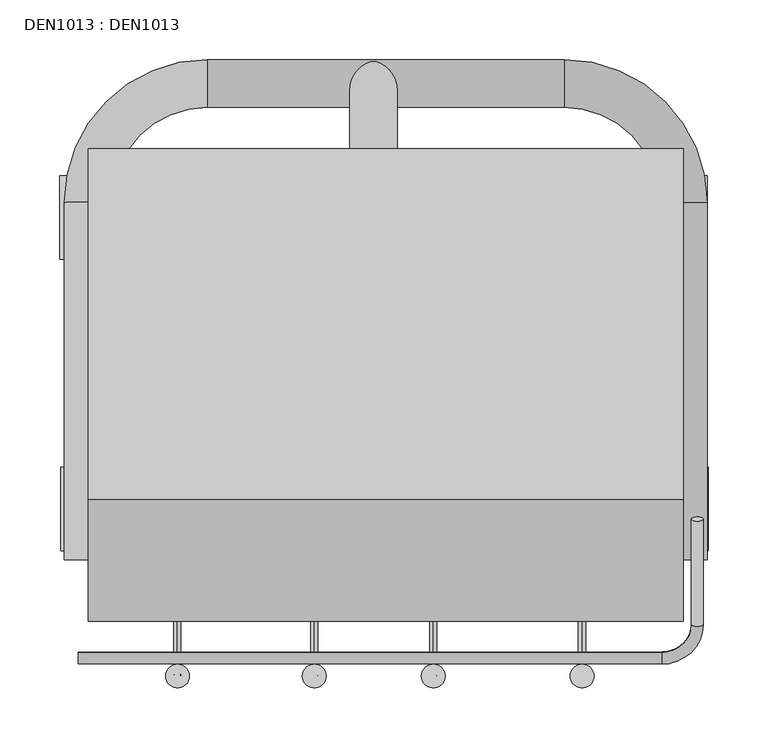
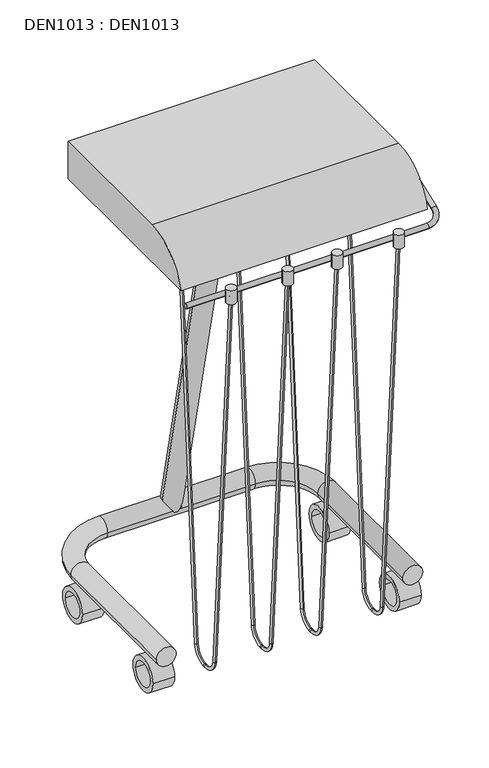
"""IFC4 building model written with IfcOpenShell, lengths in millimetres: proxy geometry, DEN1013 : DEN1013."""

from ifc_helpers import new_model, si_unit, point, frame, frame_2d, origin, place, context, project, spatial, polyline, circle_curve, ellipse_curve, trimmed, segment, composite_curve, outline, extrude, source, transform, mapped, element, save
from ifc_brep_helpers import plane_surface, cylinder_surface, revolved_surface, advanced_brep


def den1013_den1013_af064485(model_context):
    return source(origin(), model_context, "Body", "SolidModel", [
        extrude(outline(composite_curve([segment(trimmed(circle_curve(frame_2d((99.1242078, -518.509085)), 10.0), [point((89.1242078, -518.509085))], [point((109.1242078, -518.509085))], False, "CARTESIAN"), True, "CONTINUOUS"), segment(trimmed(circle_curve(frame_2d((99.1242078, -518.509085)), 10.0), [point((109.1242078, -518.509085))], [point((89.1242078, -518.509085))], False, "CARTESIAN"), True, "CONTINUOUS")], self_intersect=False)), frame((0.0, 0.0, 884.4949451), z_axis=(0.0, 0.0, 1.0), x_axis=(1.0, 0.0, 0.0)), (0.0, 0.0, 1.0), 29.6687262),
        extrude(outline(composite_curve([segment(trimmed(circle_curve(frame_2d((214.1242078, -518.509085)), 10.0), [point((204.1242078, -518.509085))], [point((224.1242078, -518.509085))], False, "CARTESIAN"), True, "CONTINUOUS"), segment(trimmed(circle_curve(frame_2d((214.1242078, -518.509085)), 10.0), [point((224.1242078, -518.509085))], [point((204.1242078, -518.509085))], False, "CARTESIAN"), True, "CONTINUOUS")], self_intersect=False)), frame((0.0, 0.0, 884.4949451), z_axis=(0.0, 0.0, 1.0), x_axis=(1.0, 0.0, 0.0)), (0.0, 0.0, 1.0), 29.6687262),
        extrude(outline(composite_curve([segment(trimmed(circle_curve(frame_2d((314.1242078, -518.509085)), 10.0), [point((304.1242078, -518.509085))], [point((324.1242078, -518.509085))], False, "CARTESIAN"), True, "CONTINUOUS"), segment(trimmed(circle_curve(frame_2d((314.1242078, -518.509085)), 10.0), [point((324.1242078, -518.509085))], [point((304.1242078, -518.509085))], False, "CARTESIAN"), True, "CONTINUOUS")], self_intersect=False)), frame((0.0, 0.0, 884.4949451), z_axis=(0.0, 0.0, 1.0), x_axis=(1.0, 0.0, 0.0)), (0.0, 0.0, 1.0), 29.6687262),
        extrude(outline(composite_curve([segment(trimmed(circle_curve(frame_2d((439.1242078, -518.509085)), 10.0), [point((429.1242078, -518.509085))], [point((449.1242078, -518.509085))], False, "CARTESIAN"), True, "CONTINUOUS"), segment(trimmed(circle_curve(frame_2d((439.1242078, -518.509085)), 10.0), [point((449.1242078, -518.509085))], [point((429.1242078, -518.509085))], False, "CARTESIAN"), True, "CONTINUOUS")], self_intersect=False)), frame((0.0, 0.0, 884.4949451), z_axis=(0.0, 0.0, 1.0), x_axis=(1.0, 0.0, 0.0)), (0.0, 0.0, 1.0), 29.6687262),
        advanced_brep(
        [(99.078139, -521.3556377, 906.950289), (99.078139, -515.3702534, 907.3688279), (99.078139, -463.3165392, 76.9525116), (99.078139, -457.3311549, 77.3710504), (99.078139, -430.3969256, 52.2544752), (99.078139, -430.3969256, 46.2544752), (99.078139, -426.3478307, 46.2544752), (99.078139, -426.3478307, 52.2544752), (99.078139, -399.4136014, 77.3710504), (99.078139, -393.4282171, 76.9525116), (99.078139, -335.3891186, 906.950289), (99.078139, -341.3745029, 907.3688279)],
        [
            (0, 1, circle_curve(frame((99.078139, -518.3629456, 907.1595585), z_axis=(0.0, -0.06975647374412358, 0.9975640502598244), x_axis=(0.0, 0.9975640502598244, 0.06975647374412358)), 3.0)),
            (1, 0, circle_curve(frame((99.078139, -518.3629456, 907.1595585), z_axis=(0.0, -0.06975647374412358, 0.9975640502598244), x_axis=(0.0, 0.9975640502598244, 0.06975647374412358)), 3.0)),
            (0, 2),
            (2, 3, circle_curve(frame((99.078139, -460.3238471, 77.161781), z_axis=(0.0, -0.06975647374412358, 0.9975640502598244), x_axis=(0.0, 0.9975640502598244, 0.06975647374412358)), 3.0)),
            (3, 1),
            (3, 2, circle_curve(frame((99.078139, -460.3238471, 77.161781), z_axis=(0.0, -0.06975647374412358, 0.9975640502598244), x_axis=(0.0, 0.9975640502598244, 0.06975647374412358)), 3.0)),
            (4, 3, circle_curve(frame((99.078139, -430.3969256, 79.2544752), z_axis=(-1.0, 0.0, 0.0), x_axis=(0.0, -0.9975640502598248, -0.0697564737441173)), 27.0)),
            (2, 5, circle_curve(frame((99.078139, -430.3969256, 79.2544752), z_axis=(1.0, 0.0, 0.0), x_axis=(0.0, -0.9975640502598248, -0.0697564737441173)), 33.0)),
            (5, 4, circle_curve(frame((99.078139, -430.3969256, 49.2544752), z_axis=(0.0, -1.0, 0.0), x_axis=(0.0, 0.0, 1.0)), 3.0)),
            (4, 5, circle_curve(frame((99.078139, -430.3969256, 49.2544752), z_axis=(0.0, -0.9999999999999999, 0.0), x_axis=(0.0, 0.0, 0.9999999999999999)), 3.0)),
            (5, 6),
            (6, 7, circle_curve(frame((99.078139, -426.3478307, 49.2544752), z_axis=(0.0, -1.0, 0.0), x_axis=(0.0, 0.0, 1.0)), 3.0)),
            (7, 4),
            (7, 6, circle_curve(frame((99.078139, -426.3478307, 49.2544752), z_axis=(0.0, -1.0, 0.0), x_axis=(0.0, 0.0, 1.0)), 3.0)),
            (8, 7, circle_curve(frame((99.078139, -426.3478307, 79.2544752), z_axis=(-1.0, 0.0, 0.0), x_axis=(0.0, 0.0, -1.0)), 27.0)),
            (6, 9, circle_curve(frame((99.078139, -426.3478307, 79.2544752), z_axis=(1.0, 0.0, 0.0), x_axis=(0.0, 0.0, -1.0)), 33.0)),
            (9, 8, circle_curve(frame((99.078139, -396.4209092, 77.161781), z_axis=(0.0, -0.06975647374413584, -0.9975640502598235), x_axis=(0.0, -0.9975640502598235, 0.06975647374413584)), 3.0)),
            (8, 9, circle_curve(frame((99.078139, -396.4209092, 77.161781), z_axis=(0.0, -0.06975647374413628, -0.9975640502598235), x_axis=(0.0, -0.9975640502598235, 0.06975647374413628)), 3.0)),
            (10, 11, circle_curve(frame((99.078139, -338.3818107, 907.1595585), z_axis=(0.0, 0.06975647374412682, 0.9975640502598242), x_axis=(0.0, -0.9975640502598242, 0.06975647374412682)), 3.0)),
            (11, 10, circle_curve(frame((99.078139, -338.3818107, 907.1595585), z_axis=(0.0, 0.06975647374412682, 0.9975640502598242), x_axis=(0.0, -0.9975640502598242, 0.06975647374412682)), 3.0)),
            (9, 10),
            (11, 8),
        ],
        [
            plane_surface(frame((99.078139, -518.3629456, 907.1595585), z_axis=(0.0, -0.06975647374412357, 0.9975640502598244), x_axis=(1.0, 0.0, 0.0))),
            cylinder_surface(frame((99.078139, -518.3629456, 907.1595585), z_axis=(0.0, -0.06975647374412358, 0.9975640502598244), x_axis=(0.0, 0.9975640502598244, 0.06975647374412358)), 3.0),
            revolved_surface(trimmed(ellipse_curve(frame((99.078139, -460.3238471, 77.161781), z_axis=(0.0, -0.06975647374411728, 0.9975640502598248), x_axis=(0.0, 0.9975640502598248, 0.06975647374411728)), 3.0, 3.0), [point((99.078139, -463.3165392, 76.9525116))], [point((99.078139, -457.3311549, 77.3710504))], True, "CARTESIAN"), (99.078139, -430.3969256, 79.2544752), (1.0, 0.0, 0.0)),
            revolved_surface(trimmed(ellipse_curve(frame((99.078139, -460.3238471, 77.161781), z_axis=(0.0, -0.06975647374411728, 0.9975640502598248), x_axis=(0.0, 0.9975640502598248, 0.06975647374411728)), 3.0, 3.0), [point((99.078139, -457.3311549, 77.3710504))], [point((99.078139, -463.3165392, 76.9525116))], True, "CARTESIAN"), (99.078139, -430.3969256, 79.2544752), (1.0, 0.0, 0.0)),
            cylinder_surface(frame((99.078139, -430.3969256, 49.2544752), z_axis=(0.0, -1.0, 0.0), x_axis=(0.0, 0.0, 1.0)), 3.0),
            revolved_surface(trimmed(ellipse_curve(frame((99.078139, -426.3478307, 49.2544752), z_axis=(0.0, -1.0, 0.0), x_axis=(0.0, 0.0, 1.0)), 3.0, 3.0), [point((99.078139, -426.3478307, 46.2544752))], [point((99.078139, -426.3478307, 52.2544752))], True, "CARTESIAN"), (99.078139, -426.3478307, 79.2544752), (1.0, 0.0, 0.0)),
            revolved_surface(trimmed(ellipse_curve(frame((99.078139, -426.3478307, 49.2544752), z_axis=(0.0, -1.0, 0.0), x_axis=(0.0, 0.0, 1.0)), 3.0, 3.0), [point((99.078139, -426.3478307, 52.2544752))], [point((99.078139, -426.3478307, 46.2544752))], True, "CARTESIAN"), (99.078139, -426.3478307, 79.2544752), (1.0, 0.0, 0.0)),
            plane_surface(frame((99.078139, -338.3818107, 907.1595585), z_axis=(0.0, 0.06975647374412677, 0.9975640502598242), x_axis=(1.0, 0.0, 0.0))),
            cylinder_surface(frame((99.078139, -396.4209092, 77.161781), z_axis=(0.0, -0.06975647374412682, -0.9975640502598242), x_axis=(0.0, -0.9975640502598242, 0.06975647374412682)), 3.0),
        ],
        [
            (0, [[1, 2]]),
            (1, [[-1, 3, 4, 5]]),
            (1, [[-2, -5, 6, -3]]),
            (2, [[7, -4, 8, 9]]),
            (3, [[-8, -6, -7, 10]]),
            (4, [[-9, 11, 12, 13]]),
            (4, [[-10, -13, 14, -11]]),
            (5, [[15, -12, 16, 17]]),
            (6, [[-16, -14, -15, 18]]),
            (7, [[19, 20]]),
            (8, [[-17, 21, -20, 22]]),
            (8, [[-18, -22, -19, -21]]),
        ],
    ),
        advanced_brep(
        [(214.078139, -521.3556377, 906.950289), (214.078139, -515.3702534, 907.3688279), (214.078139, -463.3165392, 76.9525116), (214.078139, -457.3311549, 77.3710504), (214.078139, -430.3969256, 52.2544752), (214.078139, -430.3969256, 46.2544752), (214.078139, -426.3478307, 46.2544752), (214.078139, -426.3478307, 52.2544752), (214.078139, -399.4136014, 77.3710504), (214.078139, -393.4282171, 76.9525116), (214.078139, -335.3891186, 906.950289), (214.078139, -341.3745029, 907.3688279)],
        [
            (0, 1, circle_curve(frame((214.078139, -518.3629456, 907.1595585), z_axis=(0.0, -0.06975647374412358, 0.9975640502598244), x_axis=(0.0, 0.9975640502598244, 0.06975647374412358)), 3.0)),
            (1, 0, circle_curve(frame((214.078139, -518.3629456, 907.1595585), z_axis=(0.0, -0.06975647374412358, 0.9975640502598244), x_axis=(0.0, 0.9975640502598244, 0.06975647374412358)), 3.0)),
            (0, 2),
            (2, 3, circle_curve(frame((214.078139, -460.3238471, 77.161781), z_axis=(0.0, -0.06975647374412358, 0.9975640502598244), x_axis=(0.0, 0.9975640502598244, 0.06975647374412358)), 3.0)),
            (3, 1),
            (3, 2, circle_curve(frame((214.078139, -460.3238471, 77.161781), z_axis=(0.0, -0.06975647374412358, 0.9975640502598244), x_axis=(0.0, 0.9975640502598244, 0.06975647374412358)), 3.0)),
            (4, 3, circle_curve(frame((214.078139, -430.3969256, 79.2544752), z_axis=(-1.0, 0.0, 0.0), x_axis=(0.0, -0.9975640502598248, -0.0697564737441173)), 27.0)),
            (2, 5, circle_curve(frame((214.078139, -430.3969256, 79.2544752), z_axis=(1.0, 0.0, 0.0), x_axis=(0.0, -0.9975640502598248, -0.0697564737441173)), 33.0)),
            (5, 4, circle_curve(frame((214.078139, -430.3969256, 49.2544752), z_axis=(0.0, -1.0, 0.0), x_axis=(0.0, 0.0, 1.0)), 3.0)),
            (4, 5, circle_curve(frame((214.078139, -430.3969256, 49.2544752), z_axis=(0.0, -0.9999999999999999, 0.0), x_axis=(0.0, 0.0, 0.9999999999999999)), 3.0)),
            (5, 6),
            (6, 7, circle_curve(frame((214.078139, -426.3478307, 49.2544752), z_axis=(0.0, -1.0, 0.0), x_axis=(0.0, 0.0, 1.0)), 3.0)),
            (7, 4),
            (7, 6, circle_curve(frame((214.078139, -426.3478307, 49.2544752), z_axis=(0.0, -1.0, 0.0), x_axis=(0.0, 0.0, 1.0)), 3.0)),
            (8, 7, circle_curve(frame((214.078139, -426.3478307, 79.2544752), z_axis=(-1.0, 0.0, 0.0), x_axis=(0.0, 0.0, -1.0)), 27.0)),
            (6, 9, circle_curve(frame((214.078139, -426.3478307, 79.2544752), z_axis=(1.0, 0.0, 0.0), x_axis=(0.0, 0.0, -1.0)), 33.0)),
            (9, 8, circle_curve(frame((214.078139, -396.4209092, 77.161781), z_axis=(0.0, -0.06975647374413584, -0.9975640502598235), x_axis=(0.0, -0.9975640502598235, 0.06975647374413584)), 3.0)),
            (8, 9, circle_curve(frame((214.078139, -396.4209092, 77.161781), z_axis=(0.0, -0.0697564737441365, -0.9975640502598234), x_axis=(0.0, -0.9975640502598234, 0.0697564737441365)), 3.0)),
            (10, 11, circle_curve(frame((214.078139, -338.3818107, 907.1595585), z_axis=(0.0, 0.06975647374412682, 0.9975640502598242), x_axis=(0.0, -0.9975640502598242, 0.06975647374412682)), 3.0)),
            (11, 10, circle_curve(frame((214.078139, -338.3818107, 907.1595585), z_axis=(0.0, 0.06975647374412682, 0.9975640502598242), x_axis=(0.0, -0.9975640502598242, 0.06975647374412682)), 3.0)),
            (9, 10),
            (11, 8),
        ],
        [
            plane_surface(frame((214.078139, -518.3629456, 907.1595585), z_axis=(0.0, -0.06975647374412357, 0.9975640502598244), x_axis=(1.0, 0.0, 0.0))),
            cylinder_surface(frame((214.078139, -518.3629456, 907.1595585), z_axis=(0.0, -0.06975647374412358, 0.9975640502598244), x_axis=(0.0, 0.9975640502598244, 0.06975647374412358)), 3.0),
            revolved_surface(trimmed(ellipse_curve(frame((214.078139, -460.3238471, 77.161781), z_axis=(0.0, -0.06975647374411728, 0.9975640502598248), x_axis=(0.0, 0.9975640502598248, 0.06975647374411728)), 3.0, 3.0), [point((214.078139, -463.3165392, 76.9525116))], [point((214.078139, -457.3311549, 77.3710504))], True, "CARTESIAN"), (214.078139, -430.3969256, 79.2544752), (1.0, 0.0, 0.0)),
            revolved_surface(trimmed(ellipse_curve(frame((214.078139, -460.3238471, 77.161781), z_axis=(0.0, -0.06975647374411728, 0.9975640502598248), x_axis=(0.0, 0.9975640502598248, 0.06975647374411728)), 3.0, 3.0), [point((214.078139, -457.3311549, 77.3710504))], [point((214.078139, -463.3165392, 76.9525116))], True, "CARTESIAN"), (214.078139, -430.3969256, 79.2544752), (1.0, 0.0, 0.0)),
            cylinder_surface(frame((214.078139, -430.3969256, 49.2544752), z_axis=(0.0, -1.0, 0.0), x_axis=(0.0, 0.0, 1.0)), 3.0),
            revolved_surface(trimmed(ellipse_curve(frame((214.078139, -426.3478307, 49.2544752), z_axis=(0.0, -1.0, 0.0), x_axis=(0.0, 0.0, 1.0)), 3.0, 3.0), [point((214.078139, -426.3478307, 46.2544752))], [point((214.078139, -426.3478307, 52.2544752))], True, "CARTESIAN"), (214.078139, -426.3478307, 79.2544752), (1.0, 0.0, 0.0)),
            revolved_surface(trimmed(ellipse_curve(frame((214.078139, -426.3478307, 49.2544752), z_axis=(0.0, -1.0, 0.0), x_axis=(0.0, 0.0, 1.0)), 3.0, 3.0), [point((214.078139, -426.3478307, 52.2544752))], [point((214.078139, -426.3478307, 46.2544752))], True, "CARTESIAN"), (214.078139, -426.3478307, 79.2544752), (1.0, 0.0, 0.0)),
            plane_surface(frame((214.078139, -338.3818107, 907.1595585), z_axis=(0.0, 0.06975647374412677, 0.9975640502598242), x_axis=(1.0, 0.0, 0.0))),
            cylinder_surface(frame((214.078139, -396.4209092, 77.161781), z_axis=(0.0, -0.06975647374412682, -0.9975640502598242), x_axis=(0.0, -0.9975640502598242, 0.06975647374412682)), 3.0),
        ],
        [
            (0, [[1, 2]]),
            (1, [[-1, 3, 4, 5]]),
            (1, [[-2, -5, 6, -3]]),
            (2, [[7, -4, 8, 9]]),
            (3, [[-8, -6, -7, 10]]),
            (4, [[-9, 11, 12, 13]]),
            (4, [[-10, -13, 14, -11]]),
            (5, [[15, -12, 16, 17]]),
            (6, [[-16, -14, -15, 18]]),
            (7, [[19, 20]]),
            (8, [[-17, 21, -20, 22]]),
            (8, [[-18, -22, -19, -21]]),
        ],
    ),
        advanced_brep(
        [(314.078139, -521.3556377, 906.950289), (314.078139, -515.3702534, 907.3688279), (314.078139, -463.3165392, 76.9525116), (314.078139, -457.3311549, 77.3710504), (314.078139, -430.3969256, 52.2544752), (314.078139, -430.3969256, 46.2544752), (314.078139, -426.3478307, 46.2544752), (314.078139, -426.3478307, 52.2544752), (314.078139, -399.4136014, 77.3710504), (314.078139, -393.4282171, 76.9525116), (314.078139, -335.3891186, 906.950289), (314.078139, -341.3745029, 907.3688279)],
        [
            (0, 1, circle_curve(frame((314.078139, -518.3629456, 907.1595585), z_axis=(0.0, -0.06975647374412358, 0.9975640502598244), x_axis=(0.0, 0.9975640502598244, 0.06975647374412358)), 3.0)),
            (1, 0, circle_curve(frame((314.078139, -518.3629456, 907.1595585), z_axis=(0.0, -0.06975647374412358, 0.9975640502598244), x_axis=(0.0, 0.9975640502598244, 0.06975647374412358)), 3.0)),
            (0, 2),
            (2, 3, circle_curve(frame((314.078139, -460.3238471, 77.161781), z_axis=(0.0, -0.06975647374412358, 0.9975640502598244), x_axis=(0.0, 0.9975640502598244, 0.06975647374412358)), 3.0)),
            (3, 1),
            (3, 2, circle_curve(frame((314.078139, -460.3238471, 77.161781), z_axis=(0.0, -0.06975647374412358, 0.9975640502598244), x_axis=(0.0, 0.9975640502598244, 0.06975647374412358)), 3.0)),
            (4, 3, circle_curve(frame((314.078139, -430.3969256, 79.2544752), z_axis=(-1.0, 0.0, 0.0), x_axis=(0.0, -0.9975640502598248, -0.0697564737441173)), 27.0)),
            (2, 5, circle_curve(frame((314.078139, -430.3969256, 79.2544752), z_axis=(1.0, 0.0, 0.0), x_axis=(0.0, -0.9975640502598248, -0.0697564737441173)), 33.0)),
            (5, 4, circle_curve(frame((314.078139, -430.3969256, 49.2544752), z_axis=(0.0, -1.0, 0.0), x_axis=(0.0, 0.0, 1.0)), 3.0)),
            (4, 5, circle_curve(frame((314.078139, -430.3969256, 49.2544752), z_axis=(0.0, -0.9999999999999999, 0.0), x_axis=(0.0, 0.0, 0.9999999999999999)), 3.0)),
            (5, 6),
            (6, 7, circle_curve(frame((314.078139, -426.3478307, 49.2544752), z_axis=(0.0, -1.0, 0.0), x_axis=(0.0, 0.0, 1.0)), 3.0)),
            (7, 4),
            (7, 6, circle_curve(frame((314.078139, -426.3478307, 49.2544752), z_axis=(0.0, -1.0, 0.0), x_axis=(0.0, 0.0, 1.0)), 3.0)),
            (8, 7, circle_curve(frame((314.078139, -426.3478307, 79.2544752), z_axis=(-1.0, 0.0, 0.0), x_axis=(0.0, 0.0, -1.0)), 27.0)),
            (6, 9, circle_curve(frame((314.078139, -426.3478307, 79.2544752), z_axis=(1.0, 0.0, 0.0), x_axis=(0.0, 0.0, -1.0)), 33.0)),
            (9, 8, circle_curve(frame((314.078139, -396.4209092, 77.161781), z_axis=(0.0, -0.06975647374413584, -0.9975640502598235), x_axis=(0.0, -0.9975640502598235, 0.06975647374413584)), 3.0)),
            (8, 9, circle_curve(frame((314.078139, -396.4209092, 77.161781), z_axis=(0.0, -0.06975647374413606, -0.9975640502598235), x_axis=(0.0, -0.9975640502598235, 0.06975647374413606)), 3.0)),
            (10, 11, circle_curve(frame((314.078139, -338.3818107, 907.1595585), z_axis=(0.0, 0.06975647374412682, 0.9975640502598242), x_axis=(0.0, -0.9975640502598242, 0.06975647374412682)), 3.0)),
            (11, 10, circle_curve(frame((314.078139, -338.3818107, 907.1595585), z_axis=(0.0, 0.06975647374412682, 0.9975640502598242), x_axis=(0.0, -0.9975640502598242, 0.06975647374412682)), 3.0)),
            (9, 10),
            (11, 8),
        ],
        [
            plane_surface(frame((314.078139, -518.3629456, 907.1595585), z_axis=(0.0, -0.06975647374412357, 0.9975640502598244), x_axis=(1.0, 0.0, 0.0))),
            cylinder_surface(frame((314.078139, -518.3629456, 907.1595585), z_axis=(0.0, -0.06975647374412358, 0.9975640502598244), x_axis=(0.0, 0.9975640502598244, 0.06975647374412358)), 3.0),
            revolved_surface(trimmed(ellipse_curve(frame((314.078139, -460.3238471, 77.161781), z_axis=(0.0, -0.06975647374411728, 0.9975640502598248), x_axis=(0.0, 0.9975640502598248, 0.06975647374411728)), 3.0, 3.0), [point((314.078139, -463.3165392, 76.9525116))], [point((314.078139, -457.3311549, 77.3710504))], True, "CARTESIAN"), (314.078139, -430.3969256, 79.2544752), (1.0, 0.0, 0.0)),
            revolved_surface(trimmed(ellipse_curve(frame((314.078139, -460.3238471, 77.161781), z_axis=(0.0, -0.06975647374411728, 0.9975640502598248), x_axis=(0.0, 0.9975640502598248, 0.06975647374411728)), 3.0, 3.0), [point((314.078139, -457.3311549, 77.3710504))], [point((314.078139, -463.3165392, 76.9525116))], True, "CARTESIAN"), (314.078139, -430.3969256, 79.2544752), (1.0, 0.0, 0.0)),
            cylinder_surface(frame((314.078139, -430.3969256, 49.2544752), z_axis=(0.0, -1.0, 0.0), x_axis=(0.0, 0.0, 1.0)), 3.0),
            revolved_surface(trimmed(ellipse_curve(frame((314.078139, -426.3478307, 49.2544752), z_axis=(0.0, -1.0, 0.0), x_axis=(0.0, 0.0, 1.0)), 3.0, 3.0), [point((314.078139, -426.3478307, 46.2544752))], [point((314.078139, -426.3478307, 52.2544752))], True, "CARTESIAN"), (314.078139, -426.3478307, 79.2544752), (1.0, 0.0, 0.0)),
            revolved_surface(trimmed(ellipse_curve(frame((314.078139, -426.3478307, 49.2544752), z_axis=(0.0, -1.0, 0.0), x_axis=(0.0, 0.0, 1.0)), 3.0, 3.0), [point((314.078139, -426.3478307, 52.2544752))], [point((314.078139, -426.3478307, 46.2544752))], True, "CARTESIAN"), (314.078139, -426.3478307, 79.2544752), (1.0, 0.0, 0.0)),
            plane_surface(frame((314.078139, -338.3818107, 907.1595585), z_axis=(0.0, 0.06975647374412677, 0.9975640502598242), x_axis=(1.0, 0.0, 0.0))),
            cylinder_surface(frame((314.078139, -396.4209092, 77.161781), z_axis=(0.0, -0.06975647374412682, -0.9975640502598242), x_axis=(0.0, -0.9975640502598242, 0.06975647374412682)), 3.0),
        ],
        [
            (0, [[1, 2]]),
            (1, [[-1, 3, 4, 5]]),
            (1, [[-2, -5, 6, -3]]),
            (2, [[7, -4, 8, 9]]),
            (3, [[-8, -6, -7, 10]]),
            (4, [[-9, 11, 12, 13]]),
            (4, [[-10, -13, 14, -11]]),
            (5, [[15, -12, 16, 17]]),
            (6, [[-16, -14, -15, 18]]),
            (7, [[19, 20]]),
            (8, [[-17, 21, -20, 22]]),
            (8, [[-18, -22, -19, -21]]),
        ],
    ),
        advanced_brep(
        [(439.078139, -521.3556377, 906.950289), (439.078139, -515.3702534, 907.3688279), (439.078139, -463.3165392, 76.9525116), (439.078139, -457.3311549, 77.3710504), (439.078139, -430.3969256, 52.2544752), (439.078139, -430.3969256, 46.2544752), (439.078139, -426.3478307, 46.2544752), (439.078139, -426.3478307, 52.2544752), (439.078139, -399.4136014, 77.3710504), (439.078139, -393.4282171, 76.9525116), (439.078139, -335.3891186, 906.950289), (439.078139, -341.3745029, 907.3688279)],
        [
            (0, 1, circle_curve(frame((439.078139, -518.3629456, 907.1595585), z_axis=(0.0, -0.06975647374412358, 0.9975640502598244), x_axis=(0.0, 0.9975640502598244, 0.06975647374412358)), 3.0)),
            (1, 0, circle_curve(frame((439.078139, -518.3629456, 907.1595585), z_axis=(0.0, -0.06975647374412358, 0.9975640502598244), x_axis=(0.0, 0.9975640502598244, 0.06975647374412358)), 3.0)),
            (0, 2),
            (2, 3, circle_curve(frame((439.078139, -460.3238471, 77.161781), z_axis=(0.0, -0.06975647374412358, 0.9975640502598244), x_axis=(0.0, 0.9975640502598244, 0.06975647374412358)), 3.0)),
            (3, 1),
            (3, 2, circle_curve(frame((439.078139, -460.3238471, 77.161781), z_axis=(0.0, -0.06975647374412358, 0.9975640502598244), x_axis=(0.0, 0.9975640502598244, 0.06975647374412358)), 3.0)),
            (4, 3, circle_curve(frame((439.078139, -430.3969256, 79.2544752), z_axis=(-1.0, 0.0, 0.0), x_axis=(0.0, -0.9975640502598248, -0.0697564737441173)), 27.0)),
            (2, 5, circle_curve(frame((439.078139, -430.3969256, 79.2544752), z_axis=(1.0, 0.0, 0.0), x_axis=(0.0, -0.9975640502598248, -0.0697564737441173)), 33.0)),
            (5, 4, circle_curve(frame((439.078139, -430.3969256, 49.2544752), z_axis=(0.0, -1.0, 0.0), x_axis=(0.0, 0.0, 1.0)), 3.0)),
            (4, 5, circle_curve(frame((439.078139, -430.3969256, 49.2544752), z_axis=(0.0, -0.9999999999999999, 0.0), x_axis=(0.0, 0.0, 0.9999999999999999)), 3.0)),
            (5, 6),
            (6, 7, circle_curve(frame((439.078139, -426.3478307, 49.2544752), z_axis=(0.0, -1.0, 0.0), x_axis=(0.0, 0.0, 1.0)), 3.0)),
            (7, 4),
            (7, 6, circle_curve(frame((439.078139, -426.3478307, 49.2544752), z_axis=(0.0, -1.0, 0.0), x_axis=(0.0, 0.0, 1.0)), 3.0)),
            (8, 7, circle_curve(frame((439.078139, -426.3478307, 79.2544752), z_axis=(-1.0, 0.0, 0.0), x_axis=(0.0, 0.0, -1.0)), 27.0)),
            (6, 9, circle_curve(frame((439.078139, -426.3478307, 79.2544752), z_axis=(1.0, 0.0, 0.0), x_axis=(0.0, 0.0, -1.0)), 33.0)),
            (9, 8, circle_curve(frame((439.078139, -396.4209092, 77.161781), z_axis=(0.0, -0.06975647374413584, -0.9975640502598235), x_axis=(0.0, -0.9975640502598235, 0.06975647374413584)), 3.0)),
            (8, 9, circle_curve(frame((439.078139, -396.4209092, 77.161781), z_axis=(0.0, -0.06975647374413606, -0.9975640502598235), x_axis=(0.0, -0.9975640502598235, 0.06975647374413606)), 3.0)),
            (10, 11, circle_curve(frame((439.078139, -338.3818107, 907.1595585), z_axis=(0.0, 0.06975647374412682, 0.9975640502598242), x_axis=(0.0, -0.9975640502598242, 0.06975647374412682)), 3.0)),
            (11, 10, circle_curve(frame((439.078139, -338.3818107, 907.1595585), z_axis=(0.0, 0.06975647374412682, 0.9975640502598242), x_axis=(0.0, -0.9975640502598242, 0.06975647374412682)), 3.0)),
            (9, 10),
            (11, 8),
        ],
        [
            plane_surface(frame((439.078139, -518.3629456, 907.1595585), z_axis=(0.0, -0.06975647374412357, 0.9975640502598244), x_axis=(1.0, 0.0, 0.0))),
            cylinder_surface(frame((439.078139, -518.3629456, 907.1595585), z_axis=(0.0, -0.06975647374412358, 0.9975640502598244), x_axis=(0.0, 0.9975640502598244, 0.06975647374412358)), 3.0),
            revolved_surface(trimmed(ellipse_curve(frame((439.078139, -460.3238471, 77.161781), z_axis=(0.0, -0.06975647374411728, 0.9975640502598248), x_axis=(0.0, 0.9975640502598248, 0.06975647374411728)), 3.0, 3.0), [point((439.078139, -463.3165392, 76.9525116))], [point((439.078139, -457.3311549, 77.3710504))], True, "CARTESIAN"), (439.078139, -430.3969256, 79.2544752), (1.0, 0.0, 0.0)),
            revolved_surface(trimmed(ellipse_curve(frame((439.078139, -460.3238471, 77.161781), z_axis=(0.0, -0.06975647374411728, 0.9975640502598248), x_axis=(0.0, 0.9975640502598248, 0.06975647374411728)), 3.0, 3.0), [point((439.078139, -457.3311549, 77.3710504))], [point((439.078139, -463.3165392, 76.9525116))], True, "CARTESIAN"), (439.078139, -430.3969256, 79.2544752), (1.0, 0.0, 0.0)),
            cylinder_surface(frame((439.078139, -430.3969256, 49.2544752), z_axis=(0.0, -1.0, 0.0), x_axis=(0.0, 0.0, 1.0)), 3.0),
            revolved_surface(trimmed(ellipse_curve(frame((439.078139, -426.3478307, 49.2544752), z_axis=(0.0, -1.0, 0.0), x_axis=(0.0, 0.0, 1.0)), 3.0, 3.0), [point((439.078139, -426.3478307, 46.2544752))], [point((439.078139, -426.3478307, 52.2544752))], True, "CARTESIAN"), (439.078139, -426.3478307, 79.2544752), (1.0, 0.0, 0.0)),
            revolved_surface(trimmed(ellipse_curve(frame((439.078139, -426.3478307, 49.2544752), z_axis=(0.0, -1.0, 0.0), x_axis=(0.0, 0.0, 1.0)), 3.0, 3.0), [point((439.078139, -426.3478307, 52.2544752))], [point((439.078139, -426.3478307, 46.2544752))], True, "CARTESIAN"), (439.078139, -426.3478307, 79.2544752), (1.0, 0.0, 0.0)),
            plane_surface(frame((439.078139, -338.3818107, 907.1595585), z_axis=(0.0, 0.06975647374412677, 0.9975640502598242), x_axis=(1.0, 0.0, 0.0))),
            cylinder_surface(frame((439.078139, -396.4209092, 77.161781), z_axis=(0.0, -0.06975647374412682, -0.9975640502598242), x_axis=(0.0, -0.9975640502598242, 0.06975647374412682)), 3.0),
        ],
        [
            (0, [[1, 2]]),
            (1, [[-1, 3, 4, 5]]),
            (1, [[-2, -5, 6, -3]]),
            (2, [[7, -4, 8, 9]]),
            (3, [[-8, -6, -7, 10]]),
            (4, [[-9, 11, 12, 13]]),
            (4, [[-10, -13, 14, -11]]),
            (5, [[15, -12, 16, 17]]),
            (6, [[-16, -14, -15, 18]]),
            (7, [[19, 20]]),
            (8, [[-17, 21, -20, 22]]),
            (8, [[-18, -22, -19, -21]]),
        ],
    ),
        extrude(outline(composite_curve([segment(trimmed(circle_curve(frame_2d((-133.0580223, 35.0)), 35.0), [point((-168.0580223, 35.0))], [point((-98.0580223, 35.0))], False, "CARTESIAN"), True, "CONTINUOUS"), segment(trimmed(circle_curve(frame_2d((-133.0580223, 35.0)), 35.0), [point((-98.0580223, 35.0))], [point((-168.0580223, 35.0))], False, "CARTESIAN"), True, "CONTINUOUS")], self_intersect=False), holes=[composite_curve([segment(trimmed(circle_curve(frame_2d((-133.0580223, 35.0)), 25.0), [point((-158.0580223, 35.0))], [point((-108.0580223, 35.0))], True, "CARTESIAN"), True, "CONTINUOUS"), segment(trimmed(circle_curve(frame_2d((-133.0580223, 35.0)), 25.0), [point((-108.0580223, 35.0))], [point((-158.0580223, 35.0))], True, "CARTESIAN"), True, "CONTINUOUS")], self_intersect=False)]), frame((0.0, 0.0, 0.0), z_axis=(1.0, 0.0, 0.0), x_axis=(0.0, 1.0, 0.0)), (0.0, 0.0, 1.0), 44.078139),
        extrude(outline(composite_curve([segment(trimmed(circle_curve(frame_2d((-378.0580223, 35.0)), 35.0), [point((-413.0580223, 35.0))], [point((-343.0580223, 35.0))], False, "CARTESIAN"), True, "CONTINUOUS"), segment(trimmed(circle_curve(frame_2d((-378.0580223, 35.0)), 35.0), [point((-343.0580223, 35.0))], [point((-413.0580223, 35.0))], False, "CARTESIAN"), True, "CONTINUOUS")], self_intersect=False), holes=[composite_curve([segment(trimmed(circle_curve(frame_2d((-378.0580223, 35.0)), 25.0), [point((-403.0580223, 35.0))], [point((-353.0580223, 35.0))], True, "CARTESIAN"), True, "CONTINUOUS"), segment(trimmed(circle_curve(frame_2d((-378.0580223, 35.0)), 25.0), [point((-353.0580223, 35.0))], [point((-403.0580223, 35.0))], True, "CARTESIAN"), True, "CONTINUOUS")], self_intersect=False)]), frame((1.25, 0.0, 0.0), z_axis=(1.0, 0.0, 0.0), x_axis=(0.0, 1.0, 0.0)), (0.0, 0.0, 1.0), 44.078139),
        extrude(outline(composite_curve([segment(trimmed(circle_curve(frame_2d((-133.0580223, 35.0)), 35.0), [point((-168.0580223, 35.0))], [point((-98.0580223, 35.0))], False, "CARTESIAN"), True, "CONTINUOUS"), segment(trimmed(circle_curve(frame_2d((-133.0580223, 35.0)), 35.0), [point((-98.0580223, 35.0))], [point((-168.0580223, 35.0))], False, "CARTESIAN"), True, "CONTINUOUS")], self_intersect=False), holes=[composite_curve([segment(trimmed(circle_curve(frame_2d((-133.0580223, 35.0)), 25.0), [point((-158.0580223, 35.0))], [point((-108.0580223, 35.0))], True, "CARTESIAN"), True, "CONTINUOUS"), segment(trimmed(circle_curve(frame_2d((-133.0580223, 35.0)), 25.0), [point((-108.0580223, 35.0))], [point((-158.0580223, 35.0))], True, "CARTESIAN"), True, "CONTINUOUS")], self_intersect=False)]), frame((500.0, 0.0, 0.0), z_axis=(1.0, 0.0, 0.0), x_axis=(0.0, 1.0, 0.0)), (0.0, 0.0, 1.0), 44.078139),
        extrude(outline(composite_curve([segment(trimmed(circle_curve(frame_2d((-378.0580223, 35.0)), 35.0), [point((-413.0580223, 35.0))], [point((-343.0580223, 35.0))], False, "CARTESIAN"), True, "CONTINUOUS"), segment(trimmed(circle_curve(frame_2d((-378.0580223, 35.0)), 35.0), [point((-343.0580223, 35.0))], [point((-413.0580223, 35.0))], False, "CARTESIAN"), True, "CONTINUOUS")], self_intersect=False), holes=[composite_curve([segment(trimmed(circle_curve(frame_2d((-378.0580223, 35.0)), 25.0), [point((-403.0580223, 35.0))], [point((-353.0580223, 35.0))], True, "CARTESIAN"), True, "CONTINUOUS"), segment(trimmed(circle_curve(frame_2d((-378.0580223, 35.0)), 25.0), [point((-353.0580223, 35.0))], [point((-403.0580223, 35.0))], True, "CARTESIAN"), True, "CONTINUOUS")], self_intersect=False)]), frame((501.25, 0.0, 0.0), z_axis=(1.0, 0.0, 0.0), x_axis=(0.0, 1.0, 0.0)), (0.0, 0.0, 1.0), 44.078139),
        advanced_brep(
        [(15.9600424, -507.9411395, 892.2657298), (15.9600424, -498.6053352, 895.8494093), (505.9600424, -507.9411395, 892.2657298), (505.9600424, -498.6053352, 895.8494093), (530.9600424, -475.2658246, 904.808608), (540.9600424, -475.2658246, 904.808608), (540.9600424, -386.575684, 938.8535632), (530.9600424, -386.575684, 938.8535632)],
        [
            (0, 1, circle_curve(frame((15.9600424, -503.2732374, 894.0575695), z_axis=(-1.0, 0.0, 0.0), x_axis=(0.0, 0.9335804264971973, 0.35836794954531215)), 5.0)),
            (1, 0, circle_curve(frame((15.9600424, -503.2732374, 894.0575695), z_axis=(-1.0, 0.0, 0.0), x_axis=(0.0, 0.9335804264971973, 0.35836794954531215)), 5.0)),
            (0, 2),
            (2, 3, circle_curve(frame((505.9600424, -503.2732374, 894.0575695), z_axis=(-1.0, 0.0, 0.0), x_axis=(0.0, 0.9335804264971973, 0.35836794954531215)), 5.0)),
            (3, 1),
            (3, 2, circle_curve(frame((505.9600424, -503.2732374, 894.0575695), z_axis=(-1.0, 0.0, 0.0), x_axis=(0.0, 0.9335804264971973, 0.35836794954531215)), 5.0)),
            (4, 3, circle_curve(frame((505.9600424, -475.2658246, 904.808608), z_axis=(0.0, 0.35836794954531215, -0.9335804264971972), x_axis=(0.0, -0.9335804264971972, -0.35836794954531215)), 25.0)),
            (2, 5, circle_curve(frame((505.9600424, -475.2658246, 904.808608), z_axis=(0.0, -0.35836794954531215, 0.9335804264971972), x_axis=(0.0, -0.9335804264971972, -0.35836794954531215)), 35.0)),
            (5, 4, circle_curve(frame((535.9600424, -475.2658246, 904.808608), z_axis=(0.0, -0.9335804264971972, -0.35836794954531215), x_axis=(-1.0, 0.0, 0.0)), 5.0)),
            (4, 5, circle_curve(frame((535.9600424, -475.2658246, 904.808608), z_axis=(0.0, -0.9335804264971972, -0.35836794954531215), x_axis=(-1.0, 0.0, 0.0)), 5.0)),
            (6, 7, circle_curve(frame((535.9600424, -386.575684, 938.8535632), z_axis=(0.0, 0.9335804264971972, 0.35836794954531215), x_axis=(-1.0, 0.0, 0.0)), 5.0)),
            (7, 6, circle_curve(frame((535.9600424, -386.575684, 938.8535632), z_axis=(0.0, 0.9335804264971972, 0.35836794954531215), x_axis=(-1.0, 0.0, 0.0)), 5.0)),
            (5, 6),
            (7, 4),
        ],
        [
            plane_surface(frame((15.9600424, -503.2732374, 894.0575695), z_axis=(-1.0, 0.0, 0.0), x_axis=(0.0, 0.0, 1.0))),
            cylinder_surface(frame((15.9600424, -503.2732374, 894.0575695), z_axis=(-1.0000000000000002, 0.0, 0.0), x_axis=(0.0, 0.9335804264971973, 0.35836794954531215)), 5.0),
            revolved_surface(trimmed(ellipse_curve(frame((505.9600424, -503.2732374, 894.0575695), z_axis=(-1.0, 0.0, 0.0), x_axis=(0.0, 0.9335804264971972, 0.3583679495453121)), 5.0, 5.0), [point((505.9600424, -507.9411395, 892.2657298))], [point((505.9600424, -498.6053352, 895.8494093))], True, "CARTESIAN"), (505.9600424, -475.2658246, 904.808608), (0.0, -0.35836794954531215, 0.9335804264971972)),
            revolved_surface(trimmed(ellipse_curve(frame((505.9600424, -503.2732374, 894.0575695), z_axis=(-1.0, 0.0, 0.0), x_axis=(0.0, 0.9335804264971972, 0.3583679495453121)), 5.0, 5.0), [point((505.9600424, -498.6053352, 895.8494093))], [point((505.9600424, -507.9411395, 892.2657298))], True, "CARTESIAN"), (505.9600424, -475.2658246, 904.808608), (0.0, -0.35836794954531215, 0.9335804264971972)),
            plane_surface(frame((535.9600424, -386.575684, 938.8535632), z_axis=(0.0, 0.9335804264971973, 0.35836794954531215), x_axis=(-0.35836794954531215, -0.33456530317943745, 0.8715724127386891))),
            cylinder_surface(frame((535.9600424, -475.2658246, 904.808608), z_axis=(0.0, -0.9335804264971972, -0.35836794954531215), x_axis=(-1.0, 0.0, 0.0)), 5.0),
        ],
        [
            (0, [[1, 2]]),
            (1, [[-1, 3, 4, 5]]),
            (1, [[-2, -5, 6, -3]]),
            (2, [[7, -4, 8, 9]]),
            (3, [[-8, -6, -7, 10]]),
            (4, [[11, 12]]),
            (5, [[-9, 13, -12, 14]]),
            (5, [[-10, -14, -11, -13]]),
        ],
    ),
        extrude(outline(composite_curve([segment(trimmed(circle_curve(frame_2d((0.0, -20.0)), 20.0), [point((0.0, -40.0))], [point((0.0, 0.0))], False, "CARTESIAN"), True, "CONTINUOUS"), segment(trimmed(circle_curve(frame_2d((0.0, -20.0)), 20.0), [point((0.0, 0.0))], [point((0.0, -40.0))], False, "CARTESIAN"), True, "CONTINUOUS")], self_intersect=False)), frame((283.8278747, -20.6972315, 89.8551298), z_axis=(0.0, -0.2182808430807969, 0.9758859941324789), x_axis=(0.0, -0.9758859941324789, -0.2182808430807969)), (0.0, 0.0, 1.0), 862.1651413),
        advanced_brep(
        [(44.078139, -420.4032626, 90.0005623), (4.078139, -420.4032626, 90.0005623), (44.078139, -120.4032626, 90.0005623), (4.078139, -120.4032626, 90.0005623), (124.078139, -0.4032626, 90.0005623), (124.078139, -40.4032626, 90.0005623), (424.078139, -40.4032626, 90.0005623), (424.078139, -0.4032626, 90.0005623), (544.078139, -120.4032626, 90.0005623), (504.078139, -120.4032626, 90.0005623), (504.078139, -420.4032626, 90.0005623), (544.078139, -420.4032626, 90.0005623)],
        [
            (0, 1, circle_curve(frame((24.078139, -420.4032626, 90.0005623), z_axis=(0.0, -1.0, 0.0), x_axis=(-1.0, 0.0, 0.0)), 20.0)),
            (1, 0, circle_curve(frame((24.078139, -420.4032626, 90.0005623), z_axis=(0.0, -1.0, 0.0), x_axis=(-1.0, 0.0, 0.0)), 20.0)),
            (0, 2),
            (2, 3, circle_curve(frame((24.078139, -120.4032626, 90.0005623), z_axis=(0.0, -1.0, 0.0), x_axis=(-1.0, 0.0, 0.0)), 20.0)),
            (3, 1),
            (3, 2, circle_curve(frame((24.078139, -120.4032626, 90.0005623), z_axis=(0.0, -1.0, 0.0), x_axis=(-1.0, 0.0, 0.0)), 20.0)),
            (4, 3, circle_curve(frame((124.078139, -120.4032626, 90.0005623), z_axis=(0.0, 0.0, 1.0), x_axis=(-1.0, 0.0, 0.0)), 120.0)),
            (2, 5, circle_curve(frame((124.078139, -120.4032626, 90.0005623), z_axis=(0.0, 0.0, -1.0), x_axis=(-1.0, 0.0, 0.0)), 80.0)),
            (5, 4, circle_curve(frame((124.078139, -20.4032626, 90.0005623), z_axis=(-1.0, 0.0, 0.0), x_axis=(0.0, 1.0, 0.0)), 20.0)),
            (4, 5, circle_curve(frame((124.078139, -20.4032626, 90.0005623), z_axis=(-1.0, 0.0, 0.0), x_axis=(0.0, 1.0, 0.0)), 20.0)),
            (5, 6),
            (6, 7, circle_curve(frame((424.078139, -20.4032626, 90.0005623), z_axis=(-1.0, 0.0, 0.0), x_axis=(0.0, 1.0, 0.0)), 20.0)),
            (7, 4),
            (7, 6, circle_curve(frame((424.078139, -20.4032626, 90.0005623), z_axis=(-1.0, 0.0, 0.0), x_axis=(0.0, 1.0, 0.0)), 20.0)),
            (8, 7, circle_curve(frame((424.078139, -120.4032626, 90.0005623), z_axis=(0.0, 0.0, 1.0), x_axis=(0.0, 1.0, 0.0)), 120.0)),
            (6, 9, circle_curve(frame((424.078139, -120.4032626, 90.0005623), z_axis=(0.0, 0.0, -1.0), x_axis=(0.0, 1.0, 0.0)), 80.0)),
            (9, 8, circle_curve(frame((524.078139, -120.4032626, 90.0005623), z_axis=(0.0, 1.0, 0.0), x_axis=(1.0, 0.0, 0.0)), 20.0)),
            (8, 9, circle_curve(frame((524.078139, -120.4032626, 90.0005623), z_axis=(0.0, 1.0, 0.0), x_axis=(1.0, 0.0, 0.0)), 20.0)),
            (10, 11, circle_curve(frame((524.078139, -420.4032626, 90.0005623), z_axis=(0.0, -1.0, 0.0), x_axis=(1.0, 0.0, 0.0)), 20.0)),
            (11, 10, circle_curve(frame((524.078139, -420.4032626, 90.0005623), z_axis=(0.0, -1.0, 0.0), x_axis=(1.0, 0.0, 0.0)), 20.0)),
            (9, 10),
            (11, 8),
        ],
        [
            plane_surface(frame((24.078139, -420.4032626, 90.0005623), z_axis=(0.0, -1.0, 0.0), x_axis=(0.0, 0.0, 1.0))),
            cylinder_surface(frame((24.078139, -420.4032626, 90.0005623), z_axis=(0.0, -1.0, 0.0), x_axis=(-1.0, 0.0, 0.0)), 20.0),
            revolved_surface(trimmed(ellipse_curve(frame((24.078139, -120.4032626, 90.0005623), z_axis=(0.0, -1.0, 0.0), x_axis=(-1.0, 0.0, 0.0)), 20.0, 20.0), [point((44.078139, -120.4032626, 90.0005623))], [point((4.078139, -120.4032626, 90.0005623))], True, "CARTESIAN"), (124.078139, -120.4032626, 90.0005623), (0.0, 0.0, -1.0)),
            revolved_surface(trimmed(ellipse_curve(frame((24.078139, -120.4032626, 90.0005623), z_axis=(0.0, -1.0, 0.0), x_axis=(-1.0, 0.0, 0.0)), 20.0, 20.0), [point((4.078139, -120.4032626, 90.0005623))], [point((44.078139, -120.4032626, 90.0005623))], True, "CARTESIAN"), (124.078139, -120.4032626, 90.0005623), (0.0, 0.0, -1.0)),
            cylinder_surface(frame((124.078139, -20.4032626, 90.0005623), z_axis=(-1.0, 0.0, 0.0), x_axis=(0.0, 1.0, 0.0)), 20.0),
            revolved_surface(trimmed(ellipse_curve(frame((424.078139, -20.4032626, 90.0005623), z_axis=(-1.0, 0.0, 0.0), x_axis=(0.0, 1.0, 0.0)), 20.0, 20.0), [point((424.078139, -40.4032626, 90.0005623))], [point((424.078139, -0.4032626, 90.0005623))], True, "CARTESIAN"), (424.078139, -120.4032626, 90.0005623), (0.0, 0.0, -1.0)),
            revolved_surface(trimmed(ellipse_curve(frame((424.078139, -20.4032626, 90.0005623), z_axis=(-1.0, 0.0, 0.0), x_axis=(0.0, 1.0, 0.0)), 20.0, 20.0), [point((424.078139, -0.4032626, 90.0005623))], [point((424.078139, -40.4032626, 90.0005623))], True, "CARTESIAN"), (424.078139, -120.4032626, 90.0005623), (0.0, 0.0, -1.0)),
            plane_surface(frame((524.078139, -420.4032626, 90.0005623), z_axis=(0.0, -1.0, 0.0), x_axis=(0.0, 0.0, 1.0))),
            cylinder_surface(frame((524.078139, -120.4032626, 90.0005623), z_axis=(0.0, 1.0, 0.0), x_axis=(1.0, 0.0, 0.0)), 20.0),
        ],
        [
            (0, [[1, 2]]),
            (1, [[-1, 3, 4, 5]]),
            (1, [[-2, -5, 6, -3]]),
            (2, [[7, -4, 8, 9]]),
            (3, [[-8, -6, -7, 10]]),
            (4, [[-9, 11, 12, 13]]),
            (4, [[-10, -13, 14, -11]]),
            (5, [[15, -12, 16, 17]]),
            (6, [[-16, -14, -15, 18]]),
            (7, [[19, 20]]),
            (8, [[-17, 21, -20, 22]]),
            (8, [[-18, -22, -19, -21]]),
        ],
    ),
        extrude(outline(composite_curve([segment(polyline([(-75.4032626, 905.0005623), (-472.3836529, 905.0005623)]), True, "CONTINUOUS"), segment(trimmed(circle_curve(frame_2d((-370.4032626, 880.0005623)), 105.0), [point((-472.3836529, 905.0005623))], [point((-370.4032626, 985.0005623))], False, "CARTESIAN"), True, "CONTINUOUS"), segment(polyline([(-370.4032626, 985.0005623), (-75.4032626, 985.0005623), (-75.4032626, 905.0005623)]), True, "CONTINUOUS")], self_intersect=False)), frame((24.078139, 0.0, 0.0), z_axis=(1.0, 0.0, 0.0), x_axis=(0.0, 1.0, 0.0)), (0.0, 0.0, 1.0), 500.0),
    ])


if __name__ == "__main__":
    model = new_model("IFC4")
    model_context = context("Model", 3, world=origin())
    ifc_project = project(units=[si_unit("LENGTHUNIT", "METRE", prefix="MILLI")], contexts=[model_context])
    site = spatial("IfcSite", under=ifc_project)
    building = spatial("IfcBuilding", under=site)
    placement = place(None, origin())
    den1013_den1013_shape = den1013_den1013_af064485(model_context)
    element("IfcBuildingElementProxy", 1, Name="DEN1013 : DEN1013", ObjectType="DEN1013 : DEN1013", at=placement, inside=building, context=model_context, shape_type="MappedRepresentation", body=[
        mapped(den1013_den1013_shape, transform((0.0, 0.0, 0.0), x_axis=(1.0, 0.0, 0.0), y_axis=(0.0, 1.0, 0.0), z_axis=(0.0, 0.0, 1.0))),
    ])
    save(model, "model.ifc")
